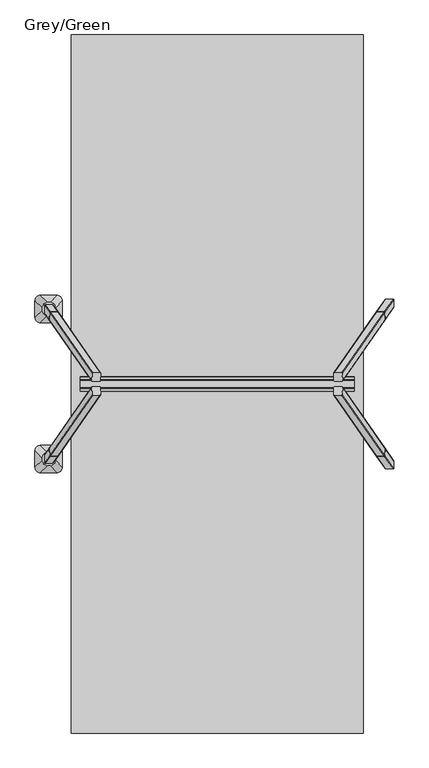
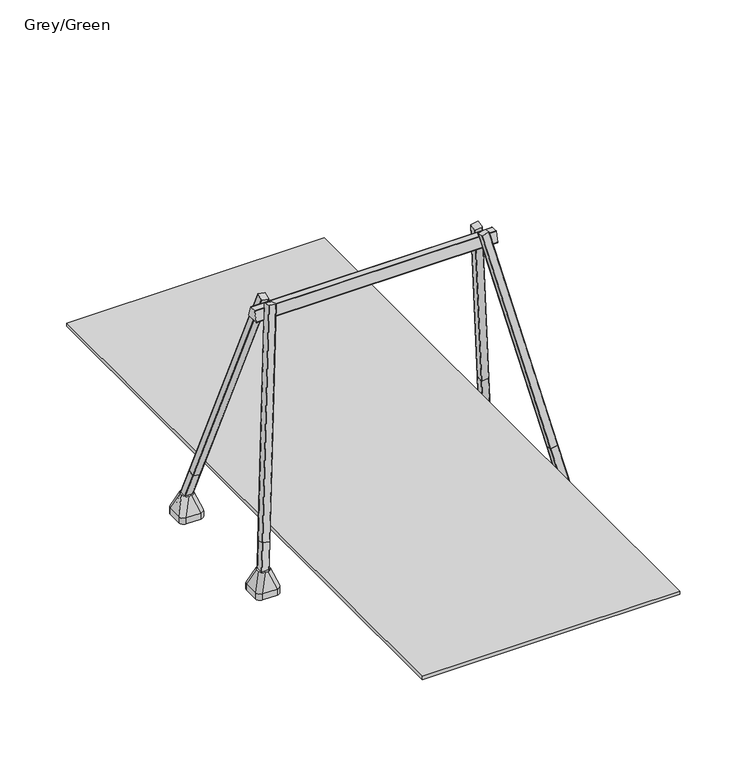
"""IFC4 building model written with IfcOpenShell, lengths in millimetres: furniture geometry, Grey/Green."""

from ifc_helpers import new_model, si_unit, point, frame, frame_2d, origin, place, context, project, spatial, polyline, circle_curve, trimmed, segment, composite_curve, outline, extrude, source, transform, mapped, element, save
from ifc_brep_helpers import plane_surface, cylinder_surface, extruded_surface, advanced_brep


def grey_green_1de6cb8d(model_context):
    return source(origin(), model_context, "Body", "SolidModel", [
        advanced_brep(
        [(-1757.0, 672.5, -604.0), (-1937.0, 672.5, -604.0), (-1997.0, 732.5, -604.0), (-1997.0, 912.5, -604.0), (-1937.0, 972.5, -604.0), (-1757.0, 972.5, -604.0), (-1697.0, 912.5, -604.0), (-1697.0, 732.5, -604.0), (-1757.0, 672.5, -526.0689494), (-1937.0, 672.5, -526.0689494), (-1997.0, 732.5, -526.0689494), (-1997.0, 912.5, -526.0689494), (-1937.0, 972.5, -526.0689494), (-1757.0, 972.5, -526.0689494), (-1697.0, 912.5, -526.0689494), (-1697.0, 732.5, -526.0689494), (-1855.9540451, 751.0510597, -316.0689494), (-1830.9540451, 751.0510597, -316.0689494), (-1770.9540451, 811.0510597, -316.0689494), (-1770.9540451, 836.0510597, -316.0689494), (-1830.9540451, 896.0510597, -316.0689494), (-1855.9540451, 896.0510597, -316.0689494), (-1915.9540451, 836.0510597, -316.0689494), (-1915.9540451, 811.0510597, -316.0689494)],
        [
            (0, 1),
            (1, 2, circle_curve(frame((-1937.0, 732.5, -604.0), z_axis=(0.0, 0.0, -1.0), x_axis=(1.0, 0.0, 0.0)), 60.0)),
            (2, 3),
            (3, 4, circle_curve(frame((-1937.0, 912.5, -604.0), z_axis=(0.0, 0.0, -1.0), x_axis=(1.0, 0.0, 0.0)), 60.0)),
            (4, 5),
            (5, 6, circle_curve(frame((-1757.0, 912.5, -604.0), z_axis=(0.0, 0.0, -1.0), x_axis=(1.0, 0.0, 0.0)), 60.0)),
            (6, 7),
            (7, 0, circle_curve(frame((-1757.0, 732.5, -604.0), z_axis=(0.0, 0.0, -1.0), x_axis=(1.0, 0.0, 0.0)), 60.0)),
            (0, 8),
            (8, 9),
            (9, 1),
            (2, 10),
            (10, 11),
            (11, 3),
            (4, 12),
            (12, 13),
            (13, 5),
            (6, 14),
            (14, 15),
            (15, 7),
            (16, 17),
            (17, 18, circle_curve(frame((-1830.9540451, 811.0510597, -316.0689494), z_axis=(0.0, 0.0, 1.0), x_axis=(1.0, 0.0, 0.0)), 60.0)),
            (18, 19),
            (19, 20, circle_curve(frame((-1830.9540451, 836.0510597, -316.0689494), z_axis=(0.0, 0.0, 1.0), x_axis=(1.0, 0.0, 0.0)), 60.0)),
            (20, 21),
            (21, 22, circle_curve(frame((-1855.9540451, 836.0510597, -316.0689494), z_axis=(0.0, 0.0, 1.0), x_axis=(1.0, 0.0, 0.0)), 60.0)),
            (22, 23),
            (23, 16, circle_curve(frame((-1855.9540451, 811.0510597, -316.0689494), z_axis=(0.0, 0.0, 1.0), x_axis=(1.0, 0.0, 0.0)), 60.0)),
            (22, 11),
            (10, 23),
            (20, 13),
            (12, 21),
            (18, 15),
            (14, 19),
            (16, 9),
            (8, 17),
            (9, 10, circle_curve(frame((-1937.0, 732.5, -526.0689494), z_axis=(0.0, 0.0, -1.0), x_axis=(1.0, 0.0, 0.0)), 60.0)),
            (11, 12, circle_curve(frame((-1937.0, 912.5, -526.0689494), z_axis=(0.0, 0.0, -1.0), x_axis=(1.0, 0.0, 0.0)), 60.0)),
            (13, 14, circle_curve(frame((-1757.0, 912.5, -526.0689494), z_axis=(0.0, 0.0, -1.0), x_axis=(1.0, 0.0, 0.0)), 60.0)),
            (15, 8, circle_curve(frame((-1757.0, 732.5, -526.0689494), z_axis=(0.0, 0.0, -1.0), x_axis=(1.0, 0.0, 0.0)), 60.0)),
        ],
        [
            plane_surface(frame((-2023.6329682, 672.5, -604.0), z_axis=(0.0, 0.0, -1.0), x_axis=(1.0, 0.0, 0.0))),
            plane_surface(frame((-1757.0, 672.5, -526.0689494), z_axis=(0.0, -1.0, 0.0), x_axis=(0.0, 0.0, -1.0))),
            plane_surface(frame((-1997.0, 732.5, -526.0689494), z_axis=(-1.0, 0.0, 0.0), x_axis=(0.0, 0.0, -1.0))),
            plane_surface(frame((-1937.0, 972.5, -526.0689494), z_axis=(0.0, 1.0, 0.0), x_axis=(0.0, 0.0, -1.0))),
            plane_surface(frame((-1697.0, 912.5, -526.0689494), z_axis=(1.0, 0.0, 0.0), x_axis=(0.0, 0.0, -1.0))),
            plane_surface(frame((-1843.4540451, 823.5510597, -316.0689494), z_axis=(0.0, 0.0, 1.0), x_axis=(-1.0, 0.0, 0.0))),
            plane_surface(frame((-1997.0, 822.5, -526.0689494), z_axis=(-0.9329330935587706, 0.0, 0.36004977842357055), x_axis=(0.0, 1.0, 0.0))),
            plane_surface(frame((-1847.0, 972.5, -526.0689494), z_axis=(0.0, 0.9396707723277333, 0.34208016550656856), x_axis=(1.0, 0.0, 0.0))),
            plane_surface(frame((-1697.0, 822.5, -526.0689494), z_axis=(0.9432207285248213, 0.0, 0.33216661072586046), x_axis=(0.0, -1.0, 0.0))),
            plane_surface(frame((-1847.0, 672.5, -526.0689494), z_axis=(0.0, -0.9366205672401335, 0.35034541958297477), x_axis=(-1.0, 0.0, 0.0))),
            cylinder_surface(frame((-1937.0, 732.5, -604.0), z_axis=(0.0, 0.0, 1.0), x_axis=(1.0, 0.0, 0.0)), 60.0),
            cylinder_surface(frame((-1937.0, 912.5, -604.0), z_axis=(0.0, 0.0, 1.0), x_axis=(1.0, 0.0, 0.0)), 60.0),
            cylinder_surface(frame((-1757.0, 912.5, -604.0), z_axis=(0.0, 0.0, 1.0), x_axis=(1.0, 0.0, 0.0)), 60.0),
            cylinder_surface(frame((-1757.0, 732.5, -604.0), z_axis=(0.0, 0.0, 1.0), x_axis=(1.0, 0.0, 0.0)), 60.0),
            extruded_surface(trimmed(circle_curve(frame((-1855.9540451, 811.0510597, -316.0689494), z_axis=(0.0, 0.0, -1.0), x_axis=(1.0, 0.0, 0.0)), 60.0), [point((-1855.9540451, 751.0510597, -316.0689494))], [point((-1915.9540451, 811.0510597, -316.0689494))], True, "CARTESIAN"), (-81.04595489999997, -78.5510597, -209.99999999999994), 238.40871583406042),
            extruded_surface(trimmed(circle_curve(frame((-1830.9540451, 811.0510597, -316.0689494), z_axis=(0.0, 0.0, -1.0), x_axis=(1.0, 0.0, 0.0)), 60.0), [point((-1770.9540451, 811.0510597, -316.0689494))], [point((-1830.9540451, 751.0510597, -316.0689494))], True, "CARTESIAN"), (73.95404510000003, -78.5510597, -209.99999999999994), 236.0920790002193),
            extruded_surface(trimmed(circle_curve(frame((-1855.9540451, 836.0510597, -316.0689494), z_axis=(0.0, 0.0, -1.0), x_axis=(1.0, 0.0, 0.0)), 60.0), [point((-1915.9540451, 836.0510597, -316.0689494))], [point((-1855.9540451, 896.0510597, -316.0689494))], True, "CARTESIAN"), (-81.04595489999997, 76.4489403, -209.99999999999994), 237.72439352882105),
            extruded_surface(trimmed(circle_curve(frame((-1830.9540451, 836.0510597, -316.0689494), z_axis=(0.0, 0.0, -1.0), x_axis=(1.0, 0.0, 0.0)), 60.0), [point((-1830.9540451, 896.0510597, -316.0689494))], [point((-1770.9540451, 836.0510597, -316.0689494))], True, "CARTESIAN"), (73.95404510000003, 76.4489403, -209.99999999999994), 235.4010222145303),
        ],
        [
            (0, [[1, 2, 3, 4, 5, 6, 7, 8]]),
            (1, [[9, 10, 11, -1]]),
            (2, [[12, 13, 14, -3]]),
            (3, [[15, 16, 17, -5]]),
            (4, [[18, 19, 20, -7]]),
            (5, [[21, 22, 23, 24, 25, 26, 27, 28]]),
            (6, [[29, -13, 30, -27]]),
            (7, [[31, -16, 32, -25]]),
            (8, [[33, -19, 34, -23]]),
            (9, [[35, -10, 36, -21]]),
            (10, [[-11, 37, -12, -2]]),
            (11, [[-14, 38, -15, -4]]),
            (12, [[-17, 39, -18, -6]]),
            (13, [[-20, 40, -9, -8]]),
            (14, [[-30, -37, -35, -28]]),
            (15, [[-36, -40, -33, -22]]),
            (16, [[-32, -38, -29, -26]]),
            (17, [[-34, -39, -31, -24]]),
        ],
    ),
        advanced_brep(
        [(-1757.0, -672.5, -604.0), (-1697.0, -732.5, -604.0), (-1697.0, -912.5, -604.0), (-1757.0, -972.5, -604.0), (-1937.0, -972.5, -604.0), (-1997.0, -912.5, -604.0), (-1997.0, -732.5, -604.0), (-1937.0, -672.5, -604.0), (-1937.0, -672.5, -526.0689494), (-1757.0, -672.5, -526.0689494), (-1997.0, -912.5, -526.0689494), (-1997.0, -732.5, -526.0689494), (-1757.0, -972.5, -526.0689494), (-1937.0, -972.5, -526.0689494), (-1697.0, -732.5, -526.0689494), (-1697.0, -912.5, -526.0689494), (-1855.9540451, -751.0510597, -316.0689494), (-1915.9540451, -811.0510597, -316.0689494), (-1915.9540451, -836.0510597, -316.0689494), (-1855.9540451, -896.0510597, -316.0689494), (-1830.9540451, -896.0510597, -316.0689494), (-1770.9540451, -836.0510597, -316.0689494), (-1770.9540451, -811.0510597, -316.0689494), (-1830.9540451, -751.0510597, -316.0689494)],
        [
            (0, 1, circle_curve(frame((-1757.0, -732.5, -604.0), z_axis=(0.0, 0.0, -1.0), x_axis=(1.0, 0.0, 0.0)), 60.0)),
            (1, 2),
            (2, 3, circle_curve(frame((-1757.0, -912.5, -604.0), z_axis=(0.0, 0.0, -1.0), x_axis=(1.0, 0.0, 0.0)), 60.0)),
            (3, 4),
            (4, 5, circle_curve(frame((-1937.0, -912.5, -604.0), z_axis=(0.0, 0.0, -1.0), x_axis=(1.0, 0.0, 0.0)), 60.0)),
            (5, 6),
            (6, 7, circle_curve(frame((-1937.0, -732.5, -604.0), z_axis=(0.0, 0.0, -1.0), x_axis=(1.0, 0.0, 0.0)), 60.0)),
            (7, 0),
            (7, 8),
            (8, 9),
            (9, 0),
            (5, 10),
            (10, 11),
            (11, 6),
            (3, 12),
            (12, 13),
            (13, 4),
            (1, 14),
            (14, 15),
            (15, 2),
            (16, 17, circle_curve(frame((-1855.9540451, -811.0510597, -316.0689494), z_axis=(0.0, 0.0, 1.0), x_axis=(1.0, 0.0, 0.0)), 60.0)),
            (17, 18),
            (18, 19, circle_curve(frame((-1855.9540451, -836.0510597, -316.0689494), z_axis=(0.0, 0.0, 1.0), x_axis=(1.0, 0.0, 0.0)), 60.0)),
            (19, 20),
            (20, 21, circle_curve(frame((-1830.9540451, -836.0510597, -316.0689494), z_axis=(0.0, 0.0, 1.0), x_axis=(1.0, 0.0, 0.0)), 60.0)),
            (21, 22),
            (22, 23, circle_curve(frame((-1830.9540451, -811.0510597, -316.0689494), z_axis=(0.0, 0.0, 1.0), x_axis=(1.0, 0.0, 0.0)), 60.0)),
            (23, 16),
            (17, 11),
            (10, 18),
            (19, 13),
            (12, 20),
            (21, 15),
            (14, 22),
            (23, 9),
            (8, 16),
            (11, 8, circle_curve(frame((-1937.0, -732.5, -526.0689494), z_axis=(0.0, 0.0, -1.0), x_axis=(1.0, 0.0, 0.0)), 60.0)),
            (13, 10, circle_curve(frame((-1937.0, -912.5, -526.0689494), z_axis=(0.0, 0.0, -1.0), x_axis=(1.0, 0.0, 0.0)), 60.0)),
            (15, 12, circle_curve(frame((-1757.0, -912.5, -526.0689494), z_axis=(0.0, 0.0, -1.0), x_axis=(1.0, 0.0, 0.0)), 60.0)),
            (9, 14, circle_curve(frame((-1757.0, -732.5, -526.0689494), z_axis=(0.0, 0.0, -1.0), x_axis=(1.0, 0.0, 0.0)), 60.0)),
        ],
        [
            plane_surface(frame((-2023.6329682, -672.5, -604.0), z_axis=(0.0, 0.0, -1.0), x_axis=(1.0, 0.0, 0.0))),
            plane_surface(frame((-1757.0, -672.5, -526.0689494), z_axis=(0.0, 1.0, 0.0), x_axis=(0.0, 0.0, -1.0))),
            plane_surface(frame((-1997.0, -732.5, -526.0689494), z_axis=(-1.0, 0.0, 0.0), x_axis=(0.0, 0.0, -1.0))),
            plane_surface(frame((-1937.0, -972.5, -526.0689494), z_axis=(0.0, -1.0, 0.0), x_axis=(0.0, 0.0, -1.0))),
            plane_surface(frame((-1697.0, -912.5, -526.0689494), z_axis=(1.0, 0.0, 0.0), x_axis=(0.0, 0.0, -1.0))),
            plane_surface(frame((-1843.4540451, -823.5510597, -316.0689494), z_axis=(0.0, 0.0, 1.0), x_axis=(-1.0, 0.0, 0.0))),
            plane_surface(frame((-1997.0, -822.5, -526.0689494), z_axis=(-0.9329330935587706, 0.0, 0.36004977842357055), x_axis=(0.0, -1.0, 0.0))),
            plane_surface(frame((-1847.0, -972.5, -526.0689494), z_axis=(0.0, -0.9396707723277333, 0.34208016550656856), x_axis=(1.0, 0.0, 0.0))),
            plane_surface(frame((-1697.0, -822.5, -526.0689494), z_axis=(0.9432207285248213, 0.0, 0.33216661072586046), x_axis=(0.0, 1.0, 0.0))),
            plane_surface(frame((-1847.0, -672.5, -526.0689494), z_axis=(0.0, 0.9366205672401335, 0.35034541958297477), x_axis=(-1.0, 0.0, 0.0))),
            cylinder_surface(frame((-1937.0, -732.5, -604.0), z_axis=(0.0, 0.0, 1.0), x_axis=(1.0, 0.0, 0.0)), 60.0),
            cylinder_surface(frame((-1937.0, -912.5, -604.0), z_axis=(0.0, 0.0, 1.0), x_axis=(1.0, 0.0, 0.0)), 60.0),
            cylinder_surface(frame((-1757.0, -912.5, -604.0), z_axis=(0.0, 0.0, 1.0), x_axis=(1.0, 0.0, 0.0)), 60.0),
            cylinder_surface(frame((-1757.0, -732.5, -604.0), z_axis=(0.0, 0.0, 1.0), x_axis=(1.0, 0.0, 0.0)), 60.0),
            extruded_surface(trimmed(circle_curve(frame((-1937.0, -732.5, -526.0689494), z_axis=(0.0, 0.0, 1.0), x_axis=(1.0, 0.0, 0.0)), 60.0), [point((-1937.0, -672.5, -526.0689494))], [point((-1997.0, -732.5, -526.0689494))], True, "CARTESIAN"), (81.04595489999997, -78.5510597, 209.99999999999994), 238.40871583406042),
            extruded_surface(trimmed(circle_curve(frame((-1757.0, -732.5, -526.0689494), z_axis=(0.0, 0.0, 1.0), x_axis=(1.0, 0.0, 0.0)), 60.0), [point((-1697.0, -732.5, -526.0689494))], [point((-1757.0, -672.5, -526.0689494))], True, "CARTESIAN"), (-73.95404510000003, -78.5510597, 209.99999999999994), 236.0920790002193),
            extruded_surface(trimmed(circle_curve(frame((-1937.0, -912.5, -526.0689494), z_axis=(0.0, 0.0, 1.0), x_axis=(1.0, 0.0, 0.0)), 60.0), [point((-1997.0, -912.5, -526.0689494))], [point((-1937.0, -972.5, -526.0689494))], True, "CARTESIAN"), (81.04595489999997, 76.4489403, 209.99999999999994), 237.72439352882105),
            extruded_surface(trimmed(circle_curve(frame((-1757.0, -912.5, -526.0689494), z_axis=(0.0, 0.0, 1.0), x_axis=(1.0, 0.0, 0.0)), 60.0), [point((-1757.0, -972.5, -526.0689494))], [point((-1697.0, -912.5, -526.0689494))], True, "CARTESIAN"), (-73.95404510000003, 76.4489403, 209.99999999999994), 235.4010222145303),
        ],
        [
            (0, [[1, 2, 3, 4, 5, 6, 7, 8]]),
            (1, [[-8, 9, 10, 11]]),
            (2, [[-6, 12, 13, 14]]),
            (3, [[-4, 15, 16, 17]]),
            (4, [[-2, 18, 19, 20]]),
            (5, [[21, 22, 23, 24, 25, 26, 27, 28]]),
            (6, [[-22, 29, -13, 30]]),
            (7, [[-24, 31, -16, 32]]),
            (8, [[-26, 33, -19, 34]]),
            (9, [[-28, 35, -10, 36]]),
            (10, [[-7, -14, 37, -9]]),
            (11, [[-5, -17, 38, -12]]),
            (12, [[-3, -20, 39, -15]]),
            (13, [[-1, -11, 40, -18]]),
            (14, [[-21, -36, -37, -29]]),
            (15, [[-27, -34, -40, -35]]),
            (16, [[-23, -30, -38, -31]]),
            (17, [[-25, -32, -39, -33]]),
        ],
    ),
        extrude(outline(composite_curve([segment(polyline([(-37.576483, -90.0), (-37.576483, -5.0)]), True, "CONTINUOUS"), segment(trimmed(circle_curve(frame_2d((-32.5764831, -5.0000001)), 5.0), [point((-37.576483, -5.0))], [point((-32.5764831, 0.0))], False, "CARTESIAN"), True, "CONTINUOUS"), segment(polyline([(-32.5764831, 0.0), (52.423517, 0.0)]), True, "CONTINUOUS"), segment(trimmed(circle_curve(frame_2d((52.423517, -5.0000001)), 5.0), [point((52.423517, 0.0))], [point((57.4235169, -5.0000001))], False, "CARTESIAN"), True, "CONTINUOUS"), segment(polyline([(57.4235169, -5.0000001), (57.423517, -90.0)]), True, "CONTINUOUS"), segment(trimmed(circle_curve(frame_2d((52.423517, -90.0)), 5.0), [point((57.423517, -90.0))], [point((52.423517, -95.0))], False, "CARTESIAN"), True, "CONTINUOUS"), segment(polyline([(52.423517, -95.0), (-32.5764831, -95.0)]), True, "CONTINUOUS"), segment(trimmed(circle_curve(frame_2d((-32.576483, -90.0)), 5.0), [point((-32.5764831, -95.0))], [point((-37.576483, -90.0))], False, "CARTESIAN"), True, "CONTINUOUS")], self_intersect=False)), frame((1881.0135283, -838.9365244, -569.0672306), z_axis=(-0.17396165925896223, 0.24987304883695344, 0.9525233858403658), x_axis=(0.9837286289495357, 0.0, 0.17966074859319375)), (0.0, 0.0, 1.0), 560.0),
        extrude(outline(composite_curve([segment(polyline([(549.3354975, 15.6129077), (549.3354976, -69.3870923)]), True, "CONTINUOUS"), segment(trimmed(circle_curve(frame_2d((544.3354976, -69.3870923)), 5.0), [point((549.3354976, -69.3870923))], [point((544.3354976, -74.3870923))], False, "CARTESIAN"), True, "CONTINUOUS"), segment(polyline([(544.3354976, -74.3870923), (459.3354976, -74.3870923)]), True, "CONTINUOUS"), segment(trimmed(circle_curve(frame_2d((459.3354976, -69.3870923)), 5.0), [point((459.3354976, -74.3870923))], [point((454.3354976, -69.3870923))], False, "CARTESIAN"), True, "CONTINUOUS"), segment(polyline([(454.3354976, -69.3870923), (454.3354976, 15.6129077)]), True, "CONTINUOUS"), segment(trimmed(circle_curve(frame_2d((459.3354976, 15.6129077)), 5.0), [point((454.3354976, 15.6129077))], [point((459.3354976, 20.6129076))], False, "CARTESIAN"), True, "CONTINUOUS"), segment(polyline([(459.3354976, 20.6129076), (544.3354976, 20.6129077)]), True, "CONTINUOUS"), segment(trimmed(circle_curve(frame_2d((544.3354976, 15.6129077)), 5.0), [point((544.3354976, 20.6129077))], [point((549.3354975, 15.6129077))], False, "CARTESIAN"), True, "CONTINUOUS")], self_intersect=False)), frame((1298.7617384, -718.9666546, -118.9646067), z_axis=(-0.1739616592589606, 0.24987304883695416, 0.9525233858403659), x_axis=(0.9837286289495357, 0.0, 0.1796607485931937)), (0.0, 0.0, 1.0), 2680.0),
        extrude(outline(composite_curve([segment(trimmed(circle_curve(frame_2d((-32.576483, 90.0)), 5.0), [point((-37.576483, 90.0))], [point((-32.5764831, 95.0))], False, "CARTESIAN"), True, "CONTINUOUS"), segment(polyline([(-32.5764831, 95.0), (52.423517, 95.0)]), True, "CONTINUOUS"), segment(trimmed(circle_curve(frame_2d((52.423517, 90.0)), 5.0), [point((52.423517, 95.0))], [point((57.423517, 90.0))], False, "CARTESIAN"), True, "CONTINUOUS"), segment(polyline([(57.423517, 90.0), (57.4235169, 5.0000001)]), True, "CONTINUOUS"), segment(trimmed(circle_curve(frame_2d((52.423517, 5.0000001)), 5.0), [point((57.4235169, 5.0000001))], [point((52.423517, 0.0))], False, "CARTESIAN"), True, "CONTINUOUS"), segment(polyline([(52.423517, 0.0), (-32.5764831, 0.0)]), True, "CONTINUOUS"), segment(trimmed(circle_curve(frame_2d((-32.5764831, 5.0000001)), 5.0), [point((-32.5764831, 0.0))], [point((-37.576483, 5.0))], False, "CARTESIAN"), True, "CONTINUOUS"), segment(polyline([(-37.576483, 5.0), (-37.576483, 90.0)]), True, "CONTINUOUS")], self_intersect=False)), frame((1881.0135283, 838.9365244, -569.0672306), z_axis=(-0.17396165925896223, -0.24987304883695344, 0.9525233858403658), x_axis=(0.9837286289495357, 0.0, 0.17966074859319375)), (0.0, 0.0, 1.0), 560.0),
        extrude(outline(composite_curve([segment(trimmed(circle_curve(frame_2d((544.3354976, -15.6129077)), 5.0), [point((549.3354975, -15.6129077))], [point((544.3354976, -20.6129077))], False, "CARTESIAN"), True, "CONTINUOUS"), segment(polyline([(544.3354976, -20.6129077), (459.3354976, -20.6129076)]), True, "CONTINUOUS"), segment(trimmed(circle_curve(frame_2d((459.3354976, -15.6129077)), 5.0), [point((459.3354976, -20.6129076))], [point((454.3354976, -15.6129077))], False, "CARTESIAN"), True, "CONTINUOUS"), segment(polyline([(454.3354976, -15.6129077), (454.3354976, 69.3870923)]), True, "CONTINUOUS"), segment(trimmed(circle_curve(frame_2d((459.3354976, 69.3870923)), 5.0), [point((454.3354976, 69.3870923))], [point((459.3354976, 74.3870923))], False, "CARTESIAN"), True, "CONTINUOUS"), segment(polyline([(459.3354976, 74.3870923), (544.3354976, 74.3870923)]), True, "CONTINUOUS"), segment(trimmed(circle_curve(frame_2d((544.3354976, 69.3870923)), 5.0), [point((544.3354976, 74.3870923))], [point((549.3354976, 69.3870923))], False, "CARTESIAN"), True, "CONTINUOUS"), segment(polyline([(549.3354976, 69.3870923), (549.3354975, -15.6129077)]), True, "CONTINUOUS")], self_intersect=False)), frame((1298.7617384, 718.9666546, -118.9646067), z_axis=(-0.1739616592589606, -0.24987304883695416, 0.9525233858403659), x_axis=(0.9837286289495357, 0.0, 0.1796607485931937)), (0.0, 0.0, 1.0), 2680.0),
        extrude(outline(composite_curve([segment(polyline([(-37.576483, -90.0), (-37.576483, -5.0)]), True, "CONTINUOUS"), segment(trimmed(circle_curve(frame_2d((-32.5764831, -5.0000001)), 5.0), [point((-37.576483, -5.0))], [point((-32.5764831, 0.0))], False, "CARTESIAN"), True, "CONTINUOUS"), segment(polyline([(-32.5764831, 0.0), (52.423517, 0.0)]), True, "CONTINUOUS"), segment(trimmed(circle_curve(frame_2d((52.423517, -5.0000001)), 5.0), [point((52.423517, 0.0))], [point((57.4235169, -5.0000001))], False, "CARTESIAN"), True, "CONTINUOUS"), segment(polyline([(57.4235169, -5.0000001), (57.423517, -90.0)]), True, "CONTINUOUS"), segment(trimmed(circle_curve(frame_2d((52.423517, -90.0)), 5.0), [point((57.423517, -90.0))], [point((52.423517, -95.0))], False, "CARTESIAN"), True, "CONTINUOUS"), segment(polyline([(52.423517, -95.0), (-32.5764831, -95.0)]), True, "CONTINUOUS"), segment(trimmed(circle_curve(frame_2d((-32.576483, -90.0)), 5.0), [point((-32.5764831, -95.0))], [point((-37.576483, -90.0))], False, "CARTESIAN"), True, "CONTINUOUS")], self_intersect=False)), frame((-1881.0135283, 838.9365244, -569.0672306), z_axis=(0.17396165925896223, -0.24987304883695344, 0.9525233858403658), x_axis=(-0.9837286289495357, 0.0, 0.17966074859319375)), (0.0, 0.0, 1.0), 560.0),
        extrude(outline(composite_curve([segment(polyline([(549.3354975, 15.6129077), (549.3354976, -69.3870923)]), True, "CONTINUOUS"), segment(trimmed(circle_curve(frame_2d((544.3354976, -69.3870923)), 5.0), [point((549.3354976, -69.3870923))], [point((544.3354976, -74.3870923))], False, "CARTESIAN"), True, "CONTINUOUS"), segment(polyline([(544.3354976, -74.3870923), (459.3354976, -74.3870923)]), True, "CONTINUOUS"), segment(trimmed(circle_curve(frame_2d((459.3354976, -69.3870923)), 5.0), [point((459.3354976, -74.3870923))], [point((454.3354976, -69.3870923))], False, "CARTESIAN"), True, "CONTINUOUS"), segment(polyline([(454.3354976, -69.3870923), (454.3354976, 15.6129077)]), True, "CONTINUOUS"), segment(trimmed(circle_curve(frame_2d((459.3354976, 15.6129077)), 5.0), [point((454.3354976, 15.6129077))], [point((459.3354976, 20.6129076))], False, "CARTESIAN"), True, "CONTINUOUS"), segment(polyline([(459.3354976, 20.6129076), (544.3354976, 20.6129077)]), True, "CONTINUOUS"), segment(trimmed(circle_curve(frame_2d((544.3354976, 15.6129077)), 5.0), [point((544.3354976, 20.6129077))], [point((549.3354975, 15.6129077))], False, "CARTESIAN"), True, "CONTINUOUS")], self_intersect=False)), frame((-1298.7617384, 718.9666546, -118.9646067), z_axis=(0.1739616592589606, -0.24987304883695416, 0.9525233858403659), x_axis=(-0.9837286289495357, 0.0, 0.1796607485931937)), (0.0, 0.0, 1.0), 2680.0),
        extrude(outline(composite_curve([segment(trimmed(circle_curve(frame_2d((-32.576483, 90.0)), 5.0), [point((-37.576483, 90.0))], [point((-32.5764831, 95.0))], False, "CARTESIAN"), True, "CONTINUOUS"), segment(polyline([(-32.5764831, 95.0), (52.423517, 95.0)]), True, "CONTINUOUS"), segment(trimmed(circle_curve(frame_2d((52.423517, 90.0)), 5.0), [point((52.423517, 95.0))], [point((57.423517, 90.0))], False, "CARTESIAN"), True, "CONTINUOUS"), segment(polyline([(57.423517, 90.0), (57.4235169, 5.0000001)]), True, "CONTINUOUS"), segment(trimmed(circle_curve(frame_2d((52.423517, 5.0000001)), 5.0), [point((57.4235169, 5.0000001))], [point((52.423517, 0.0))], False, "CARTESIAN"), True, "CONTINUOUS"), segment(polyline([(52.423517, 0.0), (-32.5764831, 0.0)]), True, "CONTINUOUS"), segment(trimmed(circle_curve(frame_2d((-32.5764831, 5.0000001)), 5.0), [point((-32.5764831, 0.0))], [point((-37.576483, 5.0))], False, "CARTESIAN"), True, "CONTINUOUS"), segment(polyline([(-37.576483, 5.0), (-37.576483, 90.0)]), True, "CONTINUOUS")], self_intersect=False)), frame((-1881.0135283, -838.9365244, -569.0672306), z_axis=(0.17396165925896223, 0.24987304883695344, 0.9525233858403658), x_axis=(-0.9837286289495357, 0.0, 0.17966074859319375)), (0.0, 0.0, 1.0), 560.0),
        extrude(outline(composite_curve([segment(polyline([(74.8457619, 2341.3010506), (-74.473853, 2341.3010506)]), True, "CONTINUOUS"), segment(trimmed(circle_curve(frame_2d((-74.473853, 2346.3010506)), 5.0), [point((-74.473853, 2341.3010506))], [point((-79.2887572, 2347.6488997))], False, "CARTESIAN"), True, "CONTINUOUS"), segment(polyline([(-79.2887572, 2347.6488997), (-44.8570379, 2470.6488997)]), True, "CONTINUOUS"), segment(trimmed(circle_curve(frame_2d((-40.0421337, 2469.3010506)), 5.0), [point((-44.8570379, 2470.6488997))], [point((-40.0421337, 2474.3010506))], False, "CARTESIAN"), True, "CONTINUOUS"), segment(polyline([(-40.0421337, 2474.3010506), (39.6761648, 2474.3010506)]), True, "CONTINUOUS"), segment(trimmed(circle_curve(frame_2d((39.6761648, 2469.3010506)), 5.0), [point((39.6761648, 2474.3010506))], [point((44.4835084, 2470.6756225))], False, "CARTESIAN"), True, "CONTINUOUS"), segment(polyline([(44.4835084, 2470.6756225), (79.6531055, 2347.6756225)]), True, "CONTINUOUS"), segment(trimmed(circle_curve(frame_2d((74.8457619, 2346.3010506)), 5.0), [point((79.6531055, 2347.6756225))], [point((74.8457619, 2341.3010506))], False, "CARTESIAN"), True, "CONTINUOUS")], self_intersect=False)), frame((-1500.0, 0.0, 0.0), z_axis=(1.0, 0.0, 0.0), x_axis=(0.0, 1.0, 0.0)), (0.0, 0.0, 1.0), 3000.0),
        extrude(outline(composite_curve([segment(trimmed(circle_curve(frame_2d((544.3354976, -15.6129077)), 5.0), [point((549.3354975, -15.6129077))], [point((544.3354976, -20.6129077))], False, "CARTESIAN"), True, "CONTINUOUS"), segment(polyline([(544.3354976, -20.6129077), (459.3354976, -20.6129076)]), True, "CONTINUOUS"), segment(trimmed(circle_curve(frame_2d((459.3354976, -15.6129077)), 5.0), [point((459.3354976, -20.6129076))], [point((454.3354976, -15.6129077))], False, "CARTESIAN"), True, "CONTINUOUS"), segment(polyline([(454.3354976, -15.6129077), (454.3354976, 69.3870923)]), True, "CONTINUOUS"), segment(trimmed(circle_curve(frame_2d((459.3354976, 69.3870923)), 5.0), [point((454.3354976, 69.3870923))], [point((459.3354976, 74.3870923))], False, "CARTESIAN"), True, "CONTINUOUS"), segment(polyline([(459.3354976, 74.3870923), (544.3354976, 74.3870923)]), True, "CONTINUOUS"), segment(trimmed(circle_curve(frame_2d((544.3354976, 69.3870923)), 5.0), [point((544.3354976, 74.3870923))], [point((549.3354976, 69.3870923))], False, "CARTESIAN"), True, "CONTINUOUS"), segment(polyline([(549.3354976, 69.3870923), (549.3354975, -15.6129077)]), True, "CONTINUOUS")], self_intersect=False)), frame((-1298.7617384, -718.9666546, -118.9646067), z_axis=(0.1739616592589606, 0.24987304883695416, 0.9525233858403659), x_axis=(-0.9837286289495357, 0.0, 0.1796607485931937)), (0.0, 0.0, 1.0), 2680.0),
        extrude(outline(polyline([(1600.0, 3825.0), (1600.0, -3825.0), (-1600.0, -3825.0), (-1600.0, 3825.0), (1600.0, 3825.0)])), frame((0.0, 0.0, -40.0), z_axis=(0.0, 0.0, 1.0), x_axis=(1.0, 0.0, 0.0)), (0.0, 0.0, 1.0), 41.0),
    ])


if __name__ == "__main__":
    model = new_model("IFC4")
    model_context = context("Model", 3, world=origin())
    ifc_project = project(units=[si_unit("LENGTHUNIT", "METRE", prefix="MILLI")], contexts=[model_context])
    site = spatial("IfcSite", under=ifc_project)
    building = spatial("IfcBuilding", under=site)
    placement = place(None, origin())
    grey_green_shape = grey_green_1de6cb8d(model_context)
    element("IfcFurniture", 1, ObjectType="Grey/Green", at=placement, inside=building, context=model_context, shape_type="MappedRepresentation", body=[
        mapped(grey_green_shape, transform((0.0, 0.0, 0.0), x_axis=(1.0, 0.0, 0.0), y_axis=(0.0, 1.0, 0.0), z_axis=(0.0, 0.0, 1.0))),
    ])
    save(model, "model.ifc")
